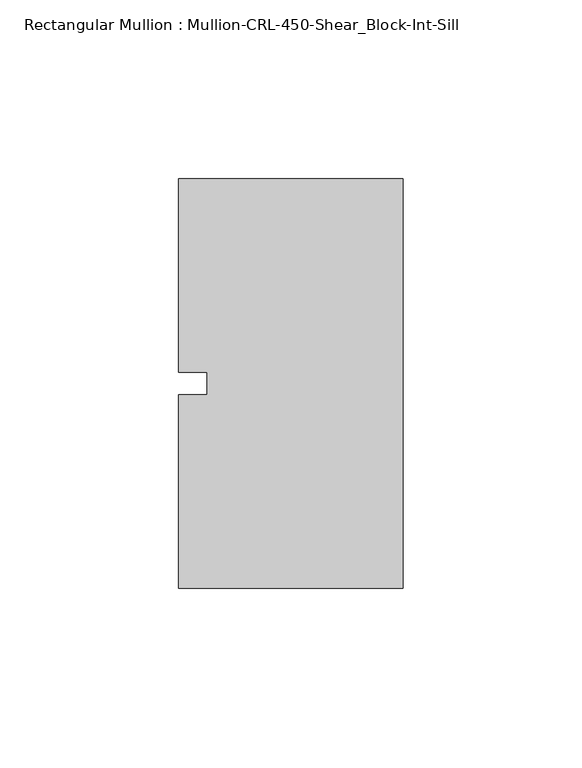
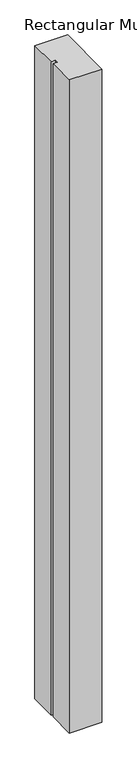
"""IFC4 building model written with IfcOpenShell, lengths in millimetres: member geometry, Rectangular Mullion : Mullion-CRL-450-Shear_Block-Int-Sill."""

from ifc_helpers import new_model, si_unit, frame, origin, place, context, project, spatial, polyline, outline, extrude, source, transform, mapped, element, save


def rectangular_mullion_mullion_crl_450_shear_block_int_sill_8f6158d5(model_context):
    return source(origin(), model_context, "Body", "SweptSolid", [
        extrude(outline(polyline([(-62.70625, 3.175), (-62.70625, 57.15), (0.0, 57.15), (0.0, -57.15), (-62.70625, -57.15), (-62.70625, -3.175), (-54.76875, -3.175), (-54.76875, 3.175), (-62.70625, 3.175)])), frame((0.0, 0.0, -1325.0333333), z_axis=(0.0, 0.0, 1.0), x_axis=(1.0, 0.0, 0.0)), (0.0, 0.0, 1.0), 1325.0333333),
    ])


if __name__ == "__main__":
    model = new_model("IFC4")
    model_context = context("Model", 3, world=origin())
    ifc_project = project(units=[si_unit("LENGTHUNIT", "METRE", prefix="MILLI")], contexts=[model_context])
    site = spatial("IfcSite", under=ifc_project)
    building = spatial("IfcBuilding", under=site)
    placement = place(None, origin())
    rectangular_mullion_mullion_crl_450_shear_block_int_sill_shape = rectangular_mullion_mullion_crl_450_shear_block_int_sill_8f6158d5(model_context)
    element("IfcMember", 1, ObjectType="Rectangular Mullion : Mullion-CRL-450-Shear_Block-Int-Sill", at=placement, inside=building, context=model_context, shape_type="MappedRepresentation", body=[
        mapped(rectangular_mullion_mullion_crl_450_shear_block_int_sill_shape, transform((0.0, 0.0, 0.0), x_axis=(1.0, 0.0, 0.0), y_axis=(0.0, 1.0, 0.0), z_axis=(0.0, 0.0, 1.0))),
    ])
    save(model, "model.ifc")
